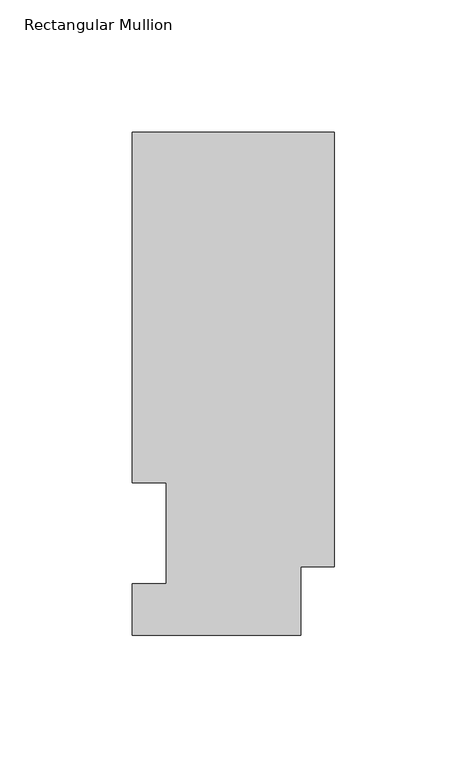
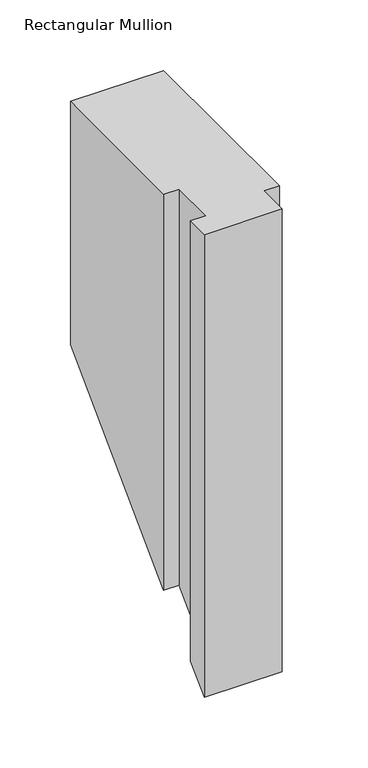
"""IFC4 building model written with IfcOpenShell, lengths in millimetres: member geometry, Rectangular Mullion."""

from ifc_helpers import new_model, si_unit, origin, place, context, project, spatial, faceted_brep, source, transform, mapped, element, save


def rectangular_mullion_be521f32(model_context):
    return source(origin(), model_context, "Body", "Brep", [
        faceted_brep([(0.0, 189.8022938, 0.0), (-76.2, 189.8022937, 0.0), (-76.2, 57.6460937, 0.0), (-63.5, 57.6460937, 0.0), (-63.5, 19.5460938, 0.0), (-76.2, 19.5460938, 0.0), (-76.2, 0.0134938, 0.0), (-12.7, 0.0134938, 0.0), (-12.7, 25.8955957, 0.0), (0.0, 25.8955957, 0.0), (0.0, 189.8022938, -210.2477062), (-76.2, 189.8022937, -210.2477062), (-76.2, 57.6460937, -342.4039062), (-63.5, 57.6460937, -342.4039062), (-63.5, 19.5460938, -380.5039062), (-76.2, 19.5460938, -380.5039062), (-76.2, 0.0134938, -400.0365062), (-12.7, 0.0134938, -400.0365062), (-12.7, 25.8955957, -374.1544043), (0.0, 25.8955957, -374.1544043)], [[[0, 1, 2, 3, 4, 5, 6, 7, 8, 9]], [[1, 0, 10, 11]], [[2, 1, 11, 12]], [[3, 2, 12, 13]], [[4, 3, 13, 14]], [[5, 4, 14, 15]], [[6, 5, 15, 16]], [[7, 6, 16, 17]], [[8, 7, 17, 18]], [[9, 8, 18, 19]], [[0, 9, 19, 10]], [[10, 19, 18, 17, 16, 15, 14, 13, 12, 11]]]),
    ])


if __name__ == "__main__":
    model = new_model("IFC4")
    model_context = context("Model", 3, world=origin())
    ifc_project = project(units=[si_unit("LENGTHUNIT", "METRE", prefix="MILLI")], contexts=[model_context])
    site = spatial("IfcSite", under=ifc_project)
    building = spatial("IfcBuilding", under=site)
    placement = place(None, origin())
    rectangular_mullion_shape = rectangular_mullion_be521f32(model_context)
    element("IfcMember", 1, ObjectType="Rectangular Mullion", at=placement, inside=building, context=model_context, shape_type="MappedRepresentation", body=[
        mapped(rectangular_mullion_shape, transform((0.0, 0.0, 0.0), x_axis=(1.0, 0.0, 0.0), y_axis=(0.0, 1.0, 0.0), z_axis=(0.0, 0.0, 1.0))),
    ])
    save(model, "model.ifc")
